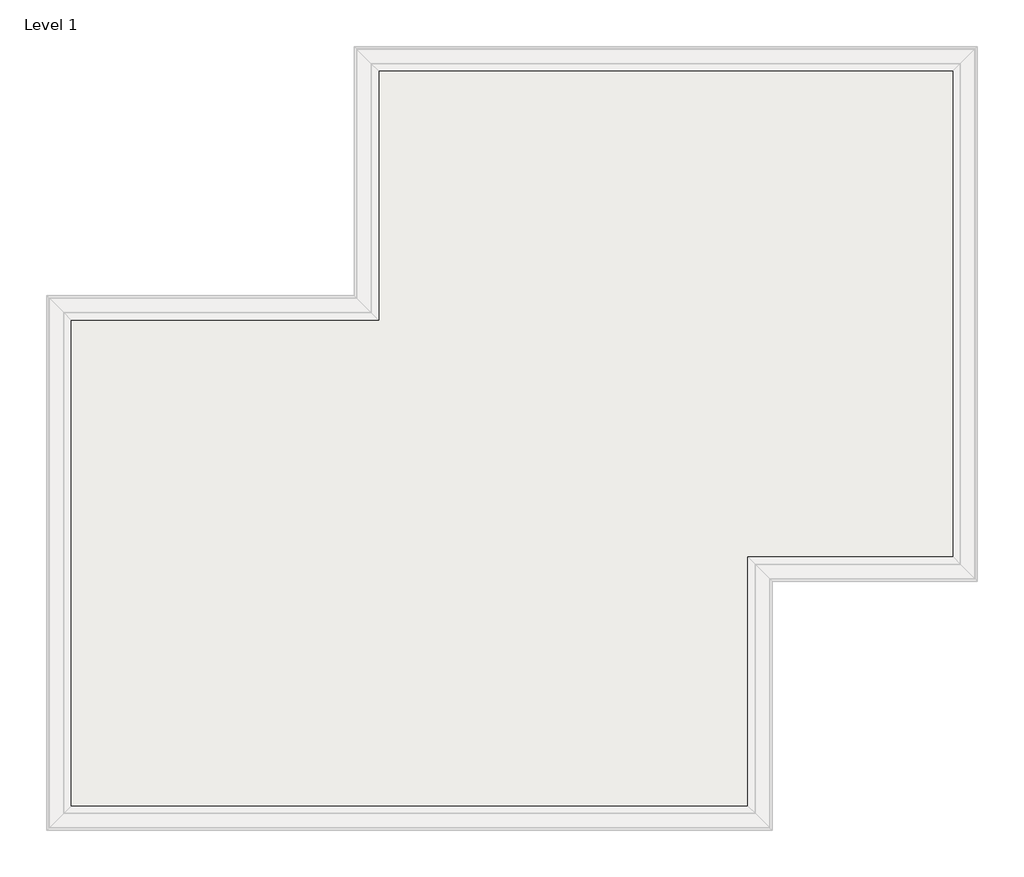
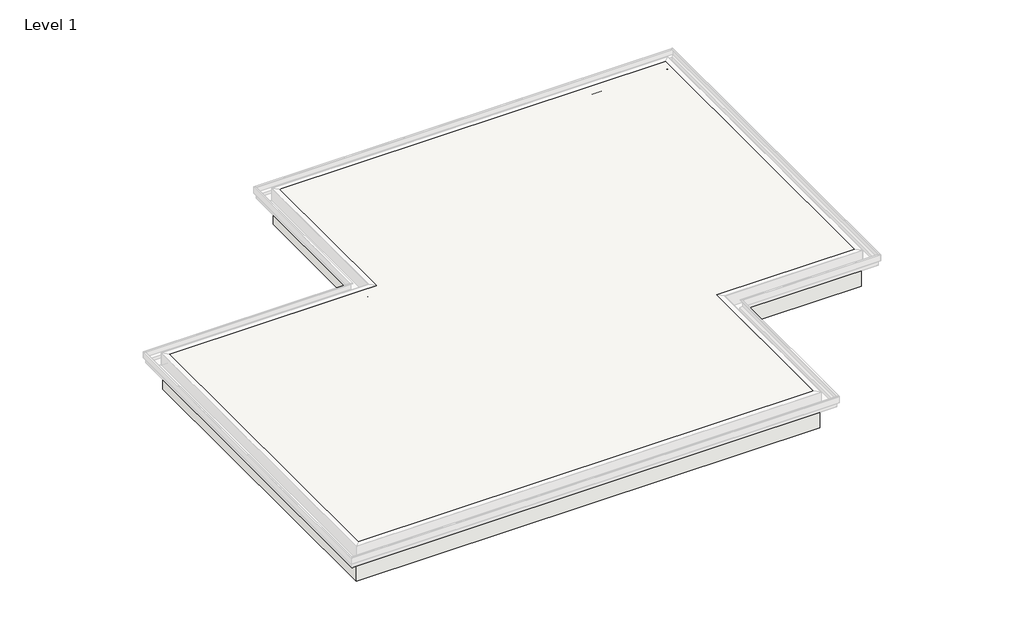
# One storey, part 4 of 16: 1 roof.
"""IFC4 building model written with IfcOpenShell, lengths in millimetres."""

from ifc_helpers import new_model, si_unit, origin, origin_with_axes, place, context, project, spatial, polyline, outline, extrude, element, save

model = new_model("IFC4")

# Units and contexts
model_context = context("Model", 3, world=origin())
ifc_project = project(units=[si_unit("LENGTHUNIT", "METRE", prefix="MILLI")], contexts=[model_context])

# Site, building, storey
site = spatial("IfcSite", under=ifc_project)
building = spatial("IfcBuilding", under=site)
storey = spatial("IfcBuildingStorey", under=building, Name="Level 1", Elevation=0.0)

# Roof
placement = place(None, origin())
element("IfcRoof", 1, at=placement, inside=storey, context=model_context, shape_type="SweptSolid", body=[
    extrude(outline(polyline([(-28380.1474759, 7918.9689141), (-28380.1474759, 2737.3689141), (-30513.7474759, 2737.3689141), (-30513.7474759, 146.5689141), (-37676.5474759, 146.5689141), (-37676.5474759, 5328.1689141), (-34476.1474759, 5328.1689141), (-34476.1474759, 7918.9689141), (-28380.1474759, 7918.9689141)])), origin_with_axes(), (0.0, 0.0, 1.0), 584.2),
])

save(model, "model.ifc")
